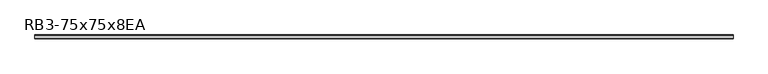
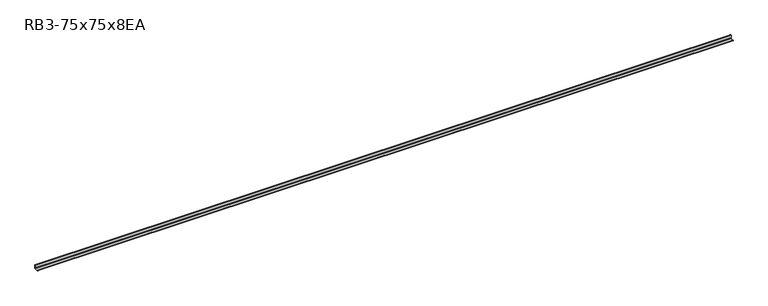
"""IFC4 building model written with IfcOpenShell, lengths in millimetres: member geometry, RB3-75x75x8EA."""

from ifc_helpers import new_model, si_unit, point, frame, frame_2d, origin, place, context, project, spatial, polyline, circle_curve, trimmed, segment, composite_curve, outline, extrude, source, transform, mapped, element, save


def rb3_75x75x8ea_25982839(model_context):
    return source(origin(), model_context, "Body", "SweptSolid", [
        extrude(outline(composite_curve([segment(polyline([(21.3, -21.3), (-53.7, -21.3), (-53.7, -18.3)]), True, "CONTINUOUS"), segment(trimmed(circle_curve(frame_2d((-48.7, -18.3)), 5.0), [point((-53.7, -18.3))], [point((-48.7, -13.3))], False, "CARTESIAN"), True, "CONTINUOUS"), segment(polyline([(-48.7, -13.3), (5.3, -13.3)]), True, "CONTINUOUS"), segment(trimmed(circle_curve(frame_2d((5.3, -5.3)), 8.0), [point((5.3, -13.3))], [point((13.3, -5.3))], True, "CARTESIAN"), True, "CONTINUOUS"), segment(polyline([(13.3, -5.3), (13.3, 48.7)]), True, "CONTINUOUS"), segment(trimmed(circle_curve(frame_2d((18.3, 48.7)), 5.0), [point((13.3, 48.7))], [point((18.3, 53.7))], False, "CARTESIAN"), True, "CONTINUOUS"), segment(polyline([(18.3, 53.7), (21.3, 53.7), (21.3, -21.3)]), True, "CONTINUOUS")], self_intersect=False)), frame((-6908.5, 0.0, 0.0), z_axis=(1.0, 0.0, 0.0), x_axis=(0.0, 1.0, 0.0)), (0.0, 0.0, 1.0), 13739.0),
    ])


if __name__ == "__main__":
    model = new_model("IFC4")
    model_context = context("Model", 3, world=origin())
    ifc_project = project(units=[si_unit("LENGTHUNIT", "METRE", prefix="MILLI")], contexts=[model_context])
    site = spatial("IfcSite", under=ifc_project)
    building = spatial("IfcBuilding", under=site)
    placement = place(None, origin())
    rb3_75x75x8ea_shape = rb3_75x75x8ea_25982839(model_context)
    element("IfcMember", 1, ObjectType="RB3-75x75x8EA", at=placement, inside=building, context=model_context, shape_type="MappedRepresentation", body=[
        mapped(rb3_75x75x8ea_shape, transform((0.0, 0.0, 0.0), x_axis=(1.0, 0.0, 0.0), y_axis=(0.0, 1.0, 0.0), z_axis=(0.0, 0.0, 1.0))),
    ])
    save(model, "model.ifc")
